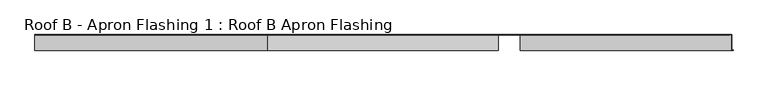
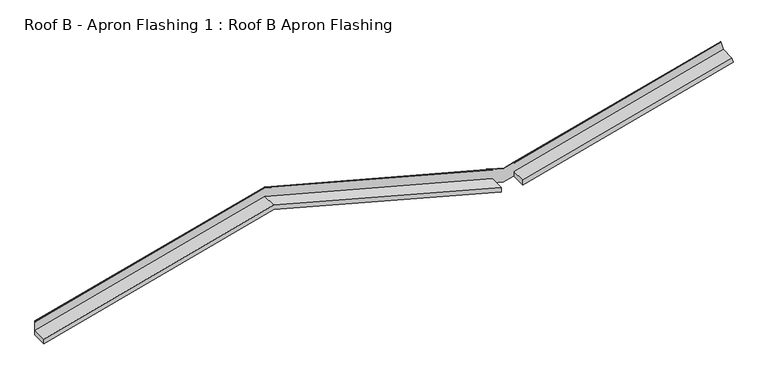
"""IFC4 building model written with IfcOpenShell, lengths in millimetres: proxy geometry, Roof B - Apron Flashing 1 : Roof B Apron Flashing."""

from ifc_helpers import new_model, si_unit, frame, origin, place, context, project, spatial, circle_curve, ellipse_curve, source, transform, mapped, element, save
from ifc_brep_helpers import plane_surface, cylinder_surface, advanced_brep


def roof_b_apron_flashing_1_roof_b_apron_flashing_8f1f6611(model_context):
    return source(origin(), model_context, "Body", "AdvancedBrep", [
        advanced_brep(
        [(7217.9826273, -260.9050751, 3936.6815328), (7231.5706272, -260.9050751, 3885.9704269), (7231.5706272, -259.8622958, 3885.9704269), (7218.2382213, -259.8622958, 3935.7276429), (7218.2382213, -85.5, 3935.7276429), (7189.8139585, -85.5, 4041.808436), (7189.7201206, -86.7239884, 4042.1586439), (7191.2306039, -90.5139698, 4036.5214433), (7191.3715669, -89.6752992, 4035.9953624), (7190.1060629, -86.5, 4040.7182876), (7217.9826273, -86.5, 3936.6815328), (2000.0, -260.9050751, 3939.1394171), (2000.0, -85.5, 3939.1394171), (4715.0, -85.5, 3211.6573597), (4715.0, -86.5, 3211.6573597), (4592.292347, -86.5, 3244.5367762), (4592.292347, -260.9050751, 3244.5367762), (2000.0, -86.7239884, 4106.5414436), (2000.0, -90.5139698, 4100.4995101), (4592.292347, -90.5139698, 3405.8968692), (4592.292347, -86.7239884, 3411.9388026), (2000.0, -86.5, 3993.4914166), (2000.0, -260.9050751, 3993.4914166), (4592.292347, -260.9050751, 3298.8887757), (4592.292347, -86.5, 3298.8887757), (-617.8589424, -260.9050751, 3237.6862276), (-617.8589424, -85.5, 3237.6862276), (-617.8589424, -86.7239884, 3405.0882541), (-617.8589424, -90.5139698, 3399.0463206), (-617.8589424, -86.5, 3292.0382271), (-617.8589424, -260.9050751, 3292.0382271), (4837.292347, -260.9050751, 3298.7774948), (4837.292347, -260.9050751, 3244.4254953), (4837.292347, -86.5, 3244.4254953), (4898.525907, -85.5, 3260.8329783), (4898.525907, -259.8622958, 3260.8329783), (-617.8589424, -85.5, 3404.7129024), (2000.0, -85.5, 4106.1660919), (4715.0, -85.5, 3378.6840344), (4898.525907, -85.5, 3314.1626016), (4837.292347, -86.7239884, 3411.8275217), (4837.292347, -90.5139698, 3405.7855883), (4837.292347, -86.5, 3410.2837525), (4837.292347, -86.5, 3412.0481369), (4715.0, -86.5, 3379.2800012), (4592.292347, -86.5, 3412.1594178), (4592.292347, -86.5, 3410.3950334), (2000.0, -86.5, 4104.9976743), (-617.8589424, -86.5, 3403.5444848), (4837.292347, -86.5, 3298.7774948), (4837.292347, -89.6752992, 3405.2217365), (2000.0, -89.6752992, 4099.9356583), (4592.292347, -89.6752992, 3405.3330174), (-617.8589424, -89.6752992, 3398.4824688), (4898.525907, -259.8622958, 3314.1626016)],
        [
            (0, 1),
            (1, 2),
            (2, 3),
            (3, 4),
            (4, 5),
            (5, 6, circle_curve(frame((7189.8139585, -86.1656921, 4041.808436), z_axis=(0.9659258262890694, 0.0, 0.2588190451025169), x_axis=(-0.2588190451025169, 0.0, 0.9659258262890694)), 0.6656921)),
            (6, 7),
            (7, 8, circle_curve(frame((7191.3010854, -90.0946345, 4036.2584028), z_axis=(0.9659258262890694, 0.0, 0.2588190451025169), x_axis=(-0.2588190451025169, 0.0, 0.9659258262890694)), 0.5)),
            (8, 9),
            (9, 10),
            (10, 0),
            (11, 12),
            (12, 13),
            (13, 14),
            (14, 15),
            (15, 16),
            (16, 11),
            (17, 18),
            (18, 19),
            (19, 20),
            (20, 17),
            (21, 22),
            (22, 23),
            (23, 24),
            (24, 21),
            (11, 25),
            (25, 26),
            (26, 12),
            (17, 27),
            (27, 28),
            (28, 18),
            (21, 29),
            (29, 30),
            (30, 22),
            (0, 31),
            (31, 32),
            (32, 1),
            (16, 23),
            (30, 25),
            (32, 33),
            (33, 14),
            (13, 34),
            (34, 35),
            (35, 2),
            (26, 36),
            (36, 37),
            (37, 38),
            (38, 5),
            (4, 39),
            (39, 34),
            (6, 40),
            (40, 41),
            (41, 7),
            (9, 42),
            (42, 43),
            (43, 44),
            (44, 45),
            (45, 46),
            (46, 47),
            (47, 48),
            (48, 29),
            (24, 15),
            (33, 49),
            (49, 10),
            (49, 31),
            (38, 44, ellipse_curve(frame((4715.0, -86.1656921, 3378.6840344), z_axis=(1.0, 0.0, 0.0), x_axis=(0.0, 0.0, 1.0)), 0.6891751, 0.6656921)),
            (43, 40, ellipse_curve(frame((4837.292347, -86.1656921, 3411.4521701), z_axis=(1.0, 0.0, 0.0), x_axis=(0.0, 0.0, 1.0)), 0.6891751, 0.6656921)),
            (41, 50, ellipse_curve(frame((4837.292347, -90.0946345, 3405.5036624), z_axis=(1.0, 0.0, 0.0), x_axis=(0.0, 0.0, 1.0)), 0.5176381, 0.5)),
            (50, 8),
            (50, 42),
            (37, 17, ellipse_curve(frame((2000.0, -86.1656921, 4106.1660919), z_axis=(1.0, 0.0, 0.0), x_axis=(0.0, 0.0, -1.0)), 0.6891751, 0.6656921)),
            (20, 45, ellipse_curve(frame((4592.292347, -86.1656921, 3411.563451), z_axis=(-1.0, 0.0, 0.0), x_axis=(0.0, 0.0, -1.0)), 0.6891751, 0.6656921)),
            (18, 51, ellipse_curve(frame((2000.0, -90.0946345, 4100.2175842), z_axis=(1.0, 0.0, 0.0), x_axis=(0.0, 0.0, -1.0)), 0.5176381, 0.5)),
            (51, 52),
            (52, 19, ellipse_curve(frame((4592.292347, -90.0946345, 3405.6149433), z_axis=(-1.0, 0.0, 0.0), x_axis=(0.0, 0.0, -1.0)), 0.5176381, 0.5)),
            (51, 47),
            (46, 52),
            (36, 27, ellipse_curve(frame((-617.8589424, -86.1656921, 3404.7129024), z_axis=(1.0, 0.0, 0.0), x_axis=(0.0, 0.0, 1.0)), 0.6891751, 0.6656921)),
            (28, 53, ellipse_curve(frame((-617.8589424, -90.0946345, 3398.7643947), z_axis=(1.0, 0.0, 0.0), x_axis=(0.0, 0.0, 1.0)), 0.5176381, 0.5)),
            (53, 51),
            (53, 48),
            (35, 54),
            (54, 3),
            (54, 39),
        ],
        [
            plane_surface(frame((7245.7256649, -95.0, 3833.1431071), z_axis=(0.9659258262890694, 0.0, 0.2588190451025169), x_axis=(0.0, 1.0, 0.0))),
            plane_surface(frame((4715.0, -260.9050751, 3211.6573597), z_axis=(-0.2588190451025201, 0.0, -0.9659258262890684), x_axis=(-0.9659258262890684, 0.0, 0.2588190451025201))),
            plane_surface(frame((4715.0, -86.7239884, 3379.0593861), z_axis=(0.14096295496814815, -0.838670567945422, 0.5260809099261741), x_axis=(-0.9659258262890685, 0.0, 0.2588190451025201))),
            plane_surface(frame((4715.0, -86.5, 3266.0093592), z_axis=(0.2588190451025201, 0.0, 0.9659258262890684), x_axis=(-0.9659258262890684, 0.0, 0.2588190451025201))),
            plane_surface(frame((2000.0, -260.9050751, 3939.1394171), z_axis=(0.2588190451025201, 0.0, -0.9659258262890685), x_axis=(-0.9659258262890685, 0.0, -0.2588190451025201))),
            plane_surface(frame((2000.0, -86.7239884, 4106.5414436), z_axis=(-0.1409629549681481, -0.8386705679454222, 0.526080909926174), x_axis=(-0.9659258262890685, 0.0, -0.25881904510252))),
            plane_surface(frame((2000.0, -86.5, 3993.4914166), z_axis=(-0.2588190451025201, 0.0, 0.9659258262890684), x_axis=(-0.9659258262890684, 0.0, -0.2588190451025201))),
            plane_surface(frame((7217.9826273, -260.9050751, 3936.6815328), z_axis=(0.0, -1.0000000000000002, 0.0), x_axis=(-0.9659258262890694, 0.0, -0.2588190451025168))),
            plane_surface(frame((7231.5706272, -260.9050751, 3885.9704269), z_axis=(0.2588190451025169, 0.0, -0.9659258262890693), x_axis=(-0.9659258262890693, 0.0, -0.2588190451025169))),
            plane_surface(frame((7231.5706272, -85.5, 3885.9704269), z_axis=(0.0, 1.0, 0.0), x_axis=(-0.9659258262890693, 0.0, -0.2588190451025169))),
            plane_surface(frame((7189.7201206, -86.7239884, 4042.1586439), z_axis=(-0.1409629549681465, -0.8386705679454222, 0.5260809099261744), x_axis=(-0.9659258262890693, 0.0, -0.25881904510251713))),
            plane_surface(frame((7190.1060629, -86.5, 4040.7182876), z_axis=(0.0, -1.0, 0.0), x_axis=(-0.9659258262890693, 0.0, -0.258819045102517))),
            plane_surface(frame((7217.9826273, -86.5, 3936.6815328), z_axis=(-0.2588190451025169, 0.0, 0.9659258262890694), x_axis=(-0.9659258262890694, 0.0, -0.2588190451025169))),
            cylinder_surface(frame((7189.8139585, -86.1656921, 4041.808436), z_axis=(0.9659258262890694, 0.0, 0.2588190451025169), x_axis=(-0.2588190451025169, 0.0, 0.9659258262890694)), 0.6656921),
            cylinder_surface(frame((7191.3010854, -90.0946345, 4036.2584028), z_axis=(0.9659258262890694, 0.0, 0.2588190451025169), x_axis=(-0.2588190451025169, 0.0, 0.9659258262890694)), 0.5),
            plane_surface(frame((7191.3715669, -89.6752992, 4035.9953624), z_axis=(0.1409629549681444, 0.8386705679454272, -0.5260809099261671), x_axis=(-0.9659258262890694, 0.0, -0.2588190451025169))),
            cylinder_surface(frame((4770.9117064, -86.1656921, 3363.7025379), z_axis=(0.9659258262890684, 0.0, -0.2588190451025201), x_axis=(0.2588190451025201, 0.0, 0.9659258262890684)), 0.6656921),
            cylinder_surface(frame((4769.4245795, -90.0946345, 3358.1525047), z_axis=(0.9659258262890684, 0.0, -0.2588190451025201), x_axis=(0.2588190451025201, 0.0, 0.9659258262890684)), 0.5),
            plane_surface(frame((4715.0, -89.6752992, 3372.4536009), z_axis=(-0.14096295496814612, 0.8386705679454273, -0.5260809099261665), x_axis=(-0.9659258262890685, 0.0, 0.2588190451025201))),
            cylinder_surface(frame((1944.0882936, -86.1656921, 4091.1845953), z_axis=(0.9659258262890684, 0.0, 0.2588190451025201), x_axis=(-0.2588190451025201, 0.0, 0.9659258262890684)), 0.6656921),
            cylinder_surface(frame((1945.5754205, -90.0946345, 4085.6345621), z_axis=(0.9659258262890684, 0.0, 0.2588190451025201), x_axis=(-0.2588190451025201, 0.0, 0.9659258262890684)), 0.5),
            plane_surface(frame((2000.0, -89.6752992, 4099.9356583), z_axis=(0.1409629549681462, 0.838670567945427, -0.5260809099261665), x_axis=(-0.9659258262890684, 0.0, -0.25881904510252024))),
            plane_surface(frame((4837.292347, -795.5629082, 3660.9894786), z_axis=(-1.0, 0.0, 0.0), x_axis=(0.0, 0.0, -1.0))),
            plane_surface(frame((4592.292347, -86.5, 3660.9894786), z_axis=(1.0, 0.0, 0.0), x_axis=(0.0, 0.0, -1.0))),
            plane_surface(frame((-617.8589424, -755.5629082, 3739.5229882), z_axis=(-1.0, 0.0, 0.0), x_axis=(0.0, 0.0, -1.0))),
            plane_surface(frame((4898.525907, -259.8622958, 3214.1626016), z_axis=(0.0, 1.0, 0.0), x_axis=(1.0, 0.0, 0.0))),
            plane_surface(frame((7613.525907, -259.8622958, 4041.6446591), z_axis=(0.25881904510251846, 0.0, -0.965925826289069), x_axis=(0.0, 1.0, 0.0))),
            plane_surface(frame((4898.525907, -259.8622958, 3314.1626016), z_axis=(1.0, 0.0, 0.0), x_axis=(0.0, 1.0, 0.0))),
        ],
        [
            (0, [[1, 2, 3, 4, 5, 6, 7, 8, 9, 10, 11]]),
            (1, [[12, 13, 14, 15, 16, 17]]),
            (2, [[18, 19, 20, 21]]),
            (3, [[22, 23, 24, 25]]),
            (4, [[-12, 26, 27, 28]]),
            (5, [[-18, 29, 30, 31]]),
            (6, [[-22, 32, 33, 34]]),
            (7, [[-1, 35, 36, 37]]),
            (7, [[-17, 38, -23, -34, 39, -26]]),
            (8, [[-37, 40, 41, -14, 42, 43, 44, -2]]),
            (9, [[-13, -28, 45, 46, 47, 48, -5, 49, 50, -42]]),
            (10, [[-7, 51, 52, 53]]),
            (11, [[-10, 54, 55, 56, 57, 58, 59, 60, 61, -32, -25, 62, -15, -41, 63, 64]]),
            (12, [[-11, -64, 65, -35]]),
            (13, [[-6, -48, 66, -56, 67, -51]]),
            (14, [[-8, -53, 68, 69]]),
            (15, [[-9, -69, 70, -54]]),
            (16, [[-47, 71, -21, 72, -57, -66]]),
            (17, [[73, 74, 75, -19]]),
            (18, [[76, -59, 77, -74]]),
            (19, [[-71, -46, 78, -29]]),
            (20, [[-73, -31, 79, 80]]),
            (21, [[-76, -80, 81, -60]]),
            (22, [[-63, -40, -36, -65]]),
            (22, [[-55, -70, -68, -52, -67]]),
            (23, [[-62, -24, -38, -16]]),
            (23, [[-58, -72, -20, -75, -77]]),
            (24, [[-27, -39, -33, -61, -81, -79, -30, -78, -45]]),
            (25, [[82, 83, -3, -44]]),
            (26, [[-83, 84, -49, -4]]),
            (27, [[-82, -43, -50, -84]]),
        ],
    ),
    ])


if __name__ == "__main__":
    model = new_model("IFC4")
    model_context = context("Model", 3, world=origin())
    ifc_project = project(units=[si_unit("LENGTHUNIT", "METRE", prefix="MILLI")], contexts=[model_context])
    site = spatial("IfcSite", under=ifc_project)
    building = spatial("IfcBuilding", under=site)
    placement = place(None, origin())
    roof_b_apron_flashing_1_roof_b_apron_flashing_shape = roof_b_apron_flashing_1_roof_b_apron_flashing_8f1f6611(model_context)
    element("IfcBuildingElementProxy", 1, Name="Roof B - Apron Flashing 1 : Roof B Apron Flashing", ObjectType="Roof B - Apron Flashing 1 : Roof B Apron Flashing", at=placement, inside=building, context=model_context, shape_type="MappedRepresentation", body=[
        mapped(roof_b_apron_flashing_1_roof_b_apron_flashing_shape, transform((0.0, 0.0, 0.0), x_axis=(1.0, 0.0, 0.0), y_axis=(0.0, 1.0, 0.0), z_axis=(0.0, 0.0, 1.0))),
    ])
    save(model, "model.ifc")
